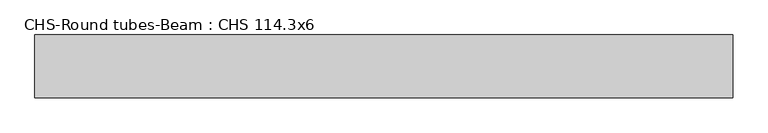
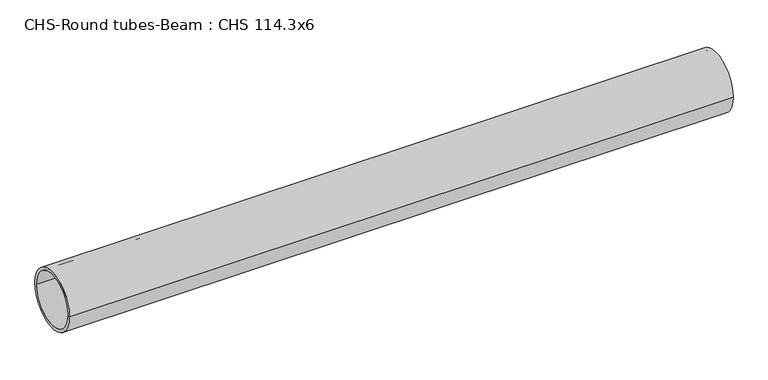
"""IFC4 building model written with IfcOpenShell, lengths in millimetres: beam geometry, CHS-Round tubes-Beam : CHS 114.3x6."""

from ifc_helpers import new_model, si_unit, point, frame, origin, origin_2d, place, context, project, spatial, circle_curve, trimmed, segment, composite_curve, outline, extrude, source, transform, mapped, element, save


def chs_round_tubes_beam_chs_114_3x6_dbfe2a19(model_context):
    return source(origin(), model_context, "Body", "SweptSolid", [
        extrude(outline(composite_curve([segment(trimmed(circle_curve(origin_2d(), 57.15), [point((57.15, 0.0))], [point((-57.15, 0.0))], False, "CARTESIAN"), True, "CONTINUOUS"), segment(trimmed(circle_curve(origin_2d(), 57.15), [point((-57.15, 0.0))], [point((57.15, 0.0))], False, "CARTESIAN"), True, "CONTINUOUS")], self_intersect=False), holes=[composite_curve([segment(trimmed(circle_curve(origin_2d(), 51.15), [point((51.15, 0.0))], [point((-51.15, 0.0))], True, "CARTESIAN"), True, "CONTINUOUS"), segment(trimmed(circle_curve(origin_2d(), 51.15), [point((-51.15, 0.0))], [point((51.15, 0.0))], True, "CARTESIAN"), True, "CONTINUOUS")], self_intersect=False)]), frame((-629.8319724, 0.0, 0.0), z_axis=(1.0, 0.0, 0.0), x_axis=(0.0, 1.0, 0.0)), (0.0, 0.0, 1.0), 1268.9526004),
    ])


if __name__ == "__main__":
    model = new_model("IFC4")
    model_context = context("Model", 3, world=origin())
    ifc_project = project(units=[si_unit("LENGTHUNIT", "METRE", prefix="MILLI")], contexts=[model_context])
    site = spatial("IfcSite", under=ifc_project)
    building = spatial("IfcBuilding", under=site)
    placement = place(None, origin())
    chs_round_tubes_beam_chs_114_3x6_shape = chs_round_tubes_beam_chs_114_3x6_dbfe2a19(model_context)
    element("IfcBeam", 1, ObjectType="CHS-Round tubes-Beam : CHS 114.3x6", at=placement, inside=building, context=model_context, shape_type="MappedRepresentation", body=[
        mapped(chs_round_tubes_beam_chs_114_3x6_shape, transform((0.0, 0.0, 0.0), x_axis=(1.0, 0.0, 0.0), y_axis=(0.0, 1.0, 0.0), z_axis=(0.0, 0.0, 1.0))),
    ])
    save(model, "model.ifc")
